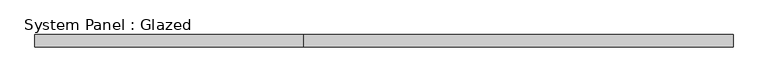
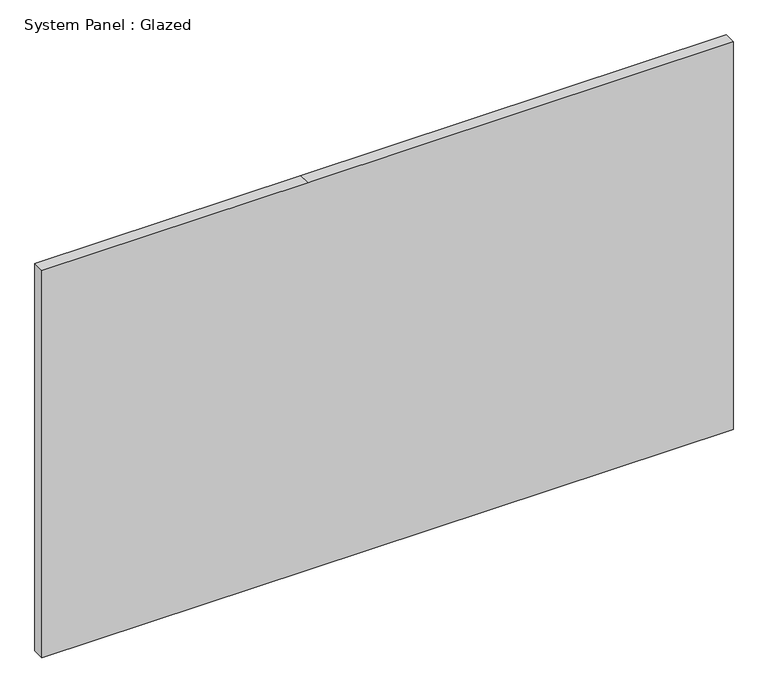
"""IFC4 building model written with IfcOpenShell, lengths in millimetres: plate geometry, System Panel : Glazed."""

from ifc_helpers import new_model, si_unit, frame, origin, place, context, project, spatial, polyline, outline, extrude, source, transform, mapped, element, save


def system_panel_glazed_d7b5ab70(model_context):
    return source(origin(), model_context, "Body", "SweptSolid", [
        extrude(outline(polyline([(0.0, -717.55), (0.0, -165.1), (0.0, 717.55), (850.9, 717.55), (850.9, -165.1), (850.9, -717.55), (0.0, -717.55)])), frame((0.0, 19.05, 0.0), z_axis=(0.0, 1.0, 0.0), x_axis=(0.0, 0.0, 1.0)), (0.0, 0.0, 1.0), 25.4),
    ])


if __name__ == "__main__":
    model = new_model("IFC4")
    model_context = context("Model", 3, world=origin())
    ifc_project = project(units=[si_unit("LENGTHUNIT", "METRE", prefix="MILLI")], contexts=[model_context])
    site = spatial("IfcSite", under=ifc_project)
    building = spatial("IfcBuilding", under=site)
    placement = place(None, origin())
    system_panel_glazed_shape = system_panel_glazed_d7b5ab70(model_context)
    element("IfcPlate", 1, ObjectType="System Panel : Glazed", at=placement, inside=building, context=model_context, shape_type="MappedRepresentation", body=[
        mapped(system_panel_glazed_shape, transform((0.0, 0.0, 0.0), x_axis=(1.0, 0.0, 0.0), y_axis=(0.0, 1.0, 0.0), z_axis=(0.0, 0.0, 1.0))),
    ])
    save(model, "model.ifc")
